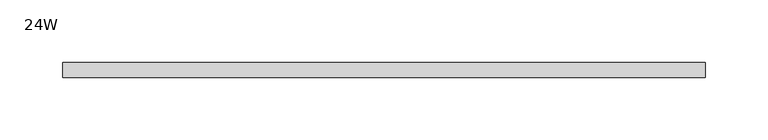
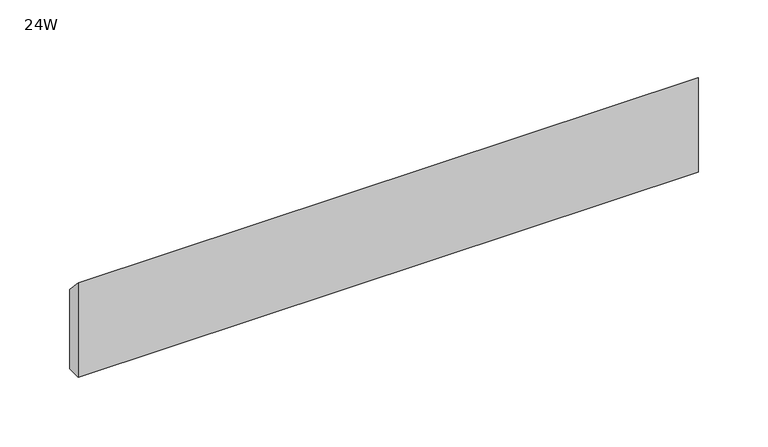
"""IFC4 building model written with IfcOpenShell, lengths in millimetres: furniture geometry, 24W."""

from ifc_helpers import new_model, si_unit, frame, origin, place, context, project, spatial, polyline, outline, extrude, source, transform, mapped, element, save


def furniture_24w_f64ff044(model_context):
    return source(origin(), model_context, "Body", "SweptSolid", [
        extrude(outline(polyline([(-11.938, 677.7482), (-11.938, 760.2982), (0.0, 747.5982), (0.0, 677.7482), (-11.938, 677.7482)])), frame((48.006, 0.0, 0.0), z_axis=(1.0, 0.0, 0.0), x_axis=(0.0, 1.0, 0.0)), (0.0, 0.0, 1.0), 513.588),
    ])


if __name__ == "__main__":
    model = new_model("IFC4")
    model_context = context("Model", 3, world=origin())
    ifc_project = project(units=[si_unit("LENGTHUNIT", "METRE", prefix="MILLI")], contexts=[model_context])
    site = spatial("IfcSite", under=ifc_project)
    building = spatial("IfcBuilding", under=site)
    placement = place(None, origin())
    furniture_24w_shape = furniture_24w_f64ff044(model_context)
    element("IfcFurniture", 1, ObjectType="24W", at=placement, inside=building, context=model_context, shape_type="MappedRepresentation", body=[
        mapped(furniture_24w_shape, transform((0.0, 0.0, 0.0), x_axis=(1.0, 0.0, 0.0), y_axis=(0.0, 1.0, 0.0), z_axis=(0.0, 0.0, 1.0))),
    ])
    save(model, "model.ifc")
